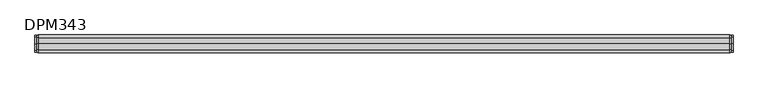
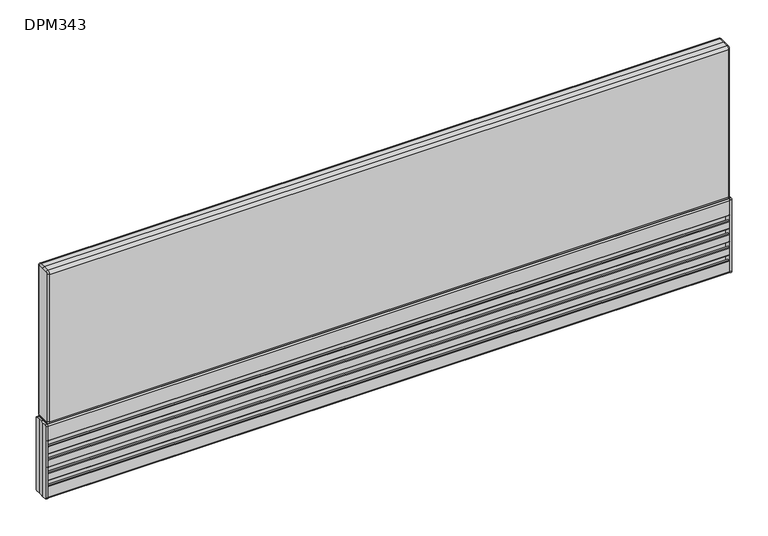
"""IFC4 building model written with IfcOpenShell, lengths in millimetres: furniture geometry, DPM343."""

from ifc_helpers import new_model, si_unit, point, frame, frame_2d, origin, place, context, project, spatial, polyline, circle_curve, ellipse_curve, trimmed, segment, composite_curve, outline, extrude, source, transform, mapped, element, save
from ifc_brep_helpers import plane_surface, cylinder_surface, revolved_surface, advanced_brep


def dpm343_4b7e98bf(model_context):
    return source(origin(), model_context, "Body", "SolidModel", [
        advanced_brep(
        [(-547.5, -11.25, 125.5), (-547.5, -13.25, 123.5), (-547.5, -13.25, 2.0), (-547.5, -11.25, 0.0), (-547.5, 0.0, 0.0), (-547.5, 11.25, 0.0), (-547.5, 13.25, 2.0), (-547.5, 13.25, 123.5), (-547.5, 11.25, 125.5), (-547.5, 0.0, 125.5), (-550.5, 11.25, 125.5), (-550.5, 13.25, 123.5), (-550.5, 13.25, 2.0), (-550.5, 11.25, 0.0), (-550.5, 5.25, 0.0), (-550.5, 5.25, 125.5), (-550.5, -11.25, 0.0), (-550.5, -13.25, 2.0), (-550.5, -13.25, 123.5), (-550.5, -11.25, 125.5), (-550.5, -5.25, 125.5), (-550.5, -5.25, 0.0), (-550.5, -3.75, 125.5), (-550.5, 0.0, 125.5), (-550.5, 3.75, 125.5), (-550.5, 3.75, 0.0), (-550.5, 0.0, 0.0), (-550.5, -3.75, 0.0)],
        [
            (0, 1, circle_curve(frame((-547.5, -11.25, 123.5), z_axis=(1.0, 0.0, 0.0), x_axis=(0.0, 1.0, 0.0)), 2.0)),
            (1, 2),
            (2, 3, circle_curve(frame((-547.5, -11.25, 2.0), z_axis=(1.0, 0.0, 0.0), x_axis=(0.0, 1.0, 0.0)), 2.0)),
            (3, 4),
            (4, 5),
            (5, 6, circle_curve(frame((-547.5, 11.25, 2.0), z_axis=(1.0, 0.0, 0.0), x_axis=(0.0, -1.0, 0.0)), 2.0)),
            (6, 7),
            (7, 8, circle_curve(frame((-547.5, 11.25, 123.5), z_axis=(1.0, 0.0, 0.0), x_axis=(0.0, -1.0, 0.0)), 2.0)),
            (8, 9),
            (9, 0),
            (10, 11, circle_curve(frame((-550.5, 11.25, 123.5), z_axis=(-1.0, 0.0, 0.0), x_axis=(0.0, -1.0, 0.0)), 2.0)),
            (11, 12),
            (12, 13, circle_curve(frame((-550.5, 11.25, 2.0), z_axis=(-1.0, 0.0, 0.0), x_axis=(0.0, -1.0, 0.0)), 2.0)),
            (13, 14),
            (14, 15),
            (15, 10),
            (16, 17, circle_curve(frame((-550.5, -11.25, 2.0), z_axis=(-1.0, 0.0, 0.0), x_axis=(0.0, 1.0, 0.0)), 2.0)),
            (17, 18),
            (18, 19, circle_curve(frame((-550.5, -11.25, 123.5), z_axis=(-1.0, 0.0, 0.0), x_axis=(0.0, 1.0, 0.0)), 2.0)),
            (19, 20),
            (20, 21),
            (21, 16),
            (22, 23),
            (23, 24),
            (24, 25),
            (25, 26),
            (26, 27),
            (27, 22),
            (0, 19),
            (18, 1),
            (17, 2),
            (16, 3),
            (21, 27, circle_curve(frame((-551.1614378, -4.5, 0.0), z_axis=(0.0, 0.0, 1.0), x_axis=(0.0, 1.0, 0.0)), 1.0)),
            (26, 4),
            (25, 14, circle_curve(frame((-551.1614378, 4.5, 0.0), z_axis=(0.0, 0.0, 1.0), x_axis=(0.0, 1.0, 0.0)), 1.0)),
            (13, 5),
            (12, 6),
            (11, 7),
            (10, 8),
            (15, 24, circle_curve(frame((-551.1614378, 4.5, 125.5), z_axis=(0.0, 0.0, -1.0), x_axis=(0.0, 1.0, 0.0)), 1.0)),
            (23, 9),
            (22, 20, circle_curve(frame((-551.1614378, -4.5, 125.5), z_axis=(0.0, 0.0, -1.0), x_axis=(0.0, 1.0, 0.0)), 1.0)),
        ],
        [
            plane_surface(frame((-547.5, -9.25, 123.5), z_axis=(1.0, 0.0, 0.0), x_axis=(0.0, 0.0, 1.0))),
            plane_surface(frame((-550.5, -9.25, 123.5), z_axis=(-1.0, 0.0, 0.0), x_axis=(0.0, 0.0, -1.0))),
            cylinder_surface(frame((-550.5, -11.25, 123.5), z_axis=(1.0, 0.0, 0.0), x_axis=(0.0, 1.0, 0.0)), 2.0),
            plane_surface(frame((-547.5, -13.25, 123.5), z_axis=(0.0, -1.0, 0.0), x_axis=(-1.0, 0.0, 0.0))),
            cylinder_surface(frame((-550.5, -11.25, 2.0), z_axis=(1.0, 0.0, 0.0), x_axis=(0.0, 1.0, 0.0)), 2.0),
            plane_surface(frame((-547.5, -11.25, 0.0), z_axis=(0.0, 0.0, -1.0), x_axis=(-1.0, 0.0, 0.0))),
            plane_surface(frame((-547.5, 0.0, 0.0), z_axis=(0.0, 0.0, -1.0), x_axis=(-1.0, 0.0, 0.0))),
            cylinder_surface(frame((-550.5, 11.25, 2.0), z_axis=(1.0, 0.0, 0.0), x_axis=(0.0, -1.0, 0.0)), 2.0),
            plane_surface(frame((-547.5, 13.25, 2.0), z_axis=(0.0, 1.0, -6.587285038427298e-12), x_axis=(-1.0, 0.0, 0.0))),
            cylinder_surface(frame((-550.5, 11.25, 123.5), z_axis=(1.0, 0.0, 0.0), x_axis=(0.0, -1.0, 0.0)), 2.0),
            plane_surface(frame((-547.5, 11.25, 125.5), z_axis=(0.0, 0.0, 1.0), x_axis=(-1.0, 0.0, 0.0))),
            plane_surface(frame((-547.5, 0.0, 125.5), z_axis=(0.0, 0.0, 1.0), x_axis=(-1.0, 0.0, 0.0))),
            revolved_surface(polyline([(-551.1614378, 5.5, 125.5), (-551.1614378, 5.5, 0.0)]), (-551.1614378, 4.5, -26.25), (0.0, 0.0, 1.0)),
            revolved_surface(polyline([(-551.1614378, -3.5, 125.5), (-551.1614378, -3.5, 0.0)]), (-551.1614378, -4.5, 73.75), (0.0, 0.0, 1.0)),
        ],
        [
            (0, [[1, 2, 3, 4, 5, 6, 7, 8, 9, 10]]),
            (1, [[11, 12, 13, 14, 15, 16]]),
            (1, [[17, 18, 19, 20, 21, 22]]),
            (1, [[23, 24, 25, 26, 27, 28]]),
            (2, [[-1, 29, -19, 30]]),
            (3, [[-2, -30, -18, 31]]),
            (4, [[-3, -31, -17, 32]]),
            (5, [[-4, -32, -22, 33, -27, 34]]),
            (6, [[-5, -34, -26, 35, -14, 36]]),
            (7, [[-6, -36, -13, 37]]),
            (8, [[-7, -37, -12, 38]]),
            (9, [[-8, -38, -11, 39]]),
            (10, [[-9, -39, -16, 40, -24, 41]]),
            (11, [[-10, -41, -23, 42, -20, -29]]),
            (12, [[-15, -35, -25, -40]]),
            (13, [[-28, -33, -21, -42]]),
        ],
    ),
        advanced_brep(
        [(547.5, 11.25, 125.5), (547.5, 13.25, 123.5), (547.5, 13.25, 2.0), (547.5, 11.25, 0.0), (547.5, 0.0, 0.0), (547.5, -11.25, 0.0), (547.5, -13.25, 2.0), (547.5, -13.25, 123.5), (547.5, -11.25, 125.5), (547.5, 0.0, 125.5), (550.5, -11.25, 125.5), (550.5, -13.25, 123.5), (550.5, -13.25, 2.0), (550.5, -11.25, 0.0), (550.5, -5.25, 0.0), (550.5, -5.25, 125.5), (550.5, 11.25, 0.0), (550.5, 13.25, 2.0), (550.5, 13.25, 123.5), (550.5, 11.25, 125.5), (550.5, 5.25, 125.5), (550.5, 5.25, 0.0), (550.5, 3.75, 125.5), (550.5, 0.0, 125.5), (550.5, -3.75, 125.5), (550.5, -3.75, 0.0), (550.5, 0.0, 0.0), (550.5, 3.75, 0.0)],
        [
            (0, 1, circle_curve(frame((547.5, 11.25, 123.5), z_axis=(-1.0, 0.0, 0.0), x_axis=(0.0, -1.0000000000000004, 0.0)), 2.0)),
            (1, 2),
            (2, 3, circle_curve(frame((547.5, 11.25, 2.0), z_axis=(-1.0, 0.0, 0.0), x_axis=(0.0, -1.0000000000000004, 0.0)), 2.0)),
            (3, 4),
            (4, 5),
            (5, 6, circle_curve(frame((547.5, -11.25, 2.0), z_axis=(-1.0, 0.0, 0.0), x_axis=(0.0, 1.0000000000000004, 0.0)), 2.0)),
            (6, 7),
            (7, 8, circle_curve(frame((547.5, -11.25, 123.5), z_axis=(-1.0, 0.0, 0.0), x_axis=(0.0, 1.0000000000000004, 0.0)), 2.0)),
            (8, 9),
            (9, 0),
            (10, 11, circle_curve(frame((550.5, -11.25, 123.5), z_axis=(1.0, 0.0, 0.0), x_axis=(0.0, 1.0000000000000004, 0.0)), 2.0)),
            (11, 12),
            (12, 13, circle_curve(frame((550.5, -11.25, 2.0), z_axis=(1.0, 0.0, 0.0), x_axis=(0.0, 1.0000000000000004, 0.0)), 2.0)),
            (13, 14),
            (14, 15),
            (15, 10),
            (16, 17, circle_curve(frame((550.5, 11.25, 2.0), z_axis=(1.0, 0.0, 0.0), x_axis=(0.0, -1.0000000000000004, 0.0)), 2.0)),
            (17, 18),
            (18, 19, circle_curve(frame((550.5, 11.25, 123.5), z_axis=(1.0, 0.0, 0.0), x_axis=(0.0, -1.0000000000000004, 0.0)), 2.0)),
            (19, 20),
            (20, 21),
            (21, 16),
            (22, 23),
            (23, 24),
            (24, 25),
            (25, 26),
            (26, 27),
            (27, 22),
            (0, 19),
            (18, 1),
            (17, 2),
            (16, 3),
            (21, 27, circle_curve(frame((551.1614378, 4.5, 0.0), z_axis=(0.0, 0.0, 1.0), x_axis=(0.0, -1.0000000000000004, 0.0)), 1.0)),
            (26, 4),
            (25, 14, circle_curve(frame((551.1614378, -4.5, 0.0), z_axis=(0.0, 0.0, 1.0), x_axis=(0.0, -1.0000000000000004, 0.0)), 1.0)),
            (13, 5),
            (12, 6),
            (11, 7),
            (10, 8),
            (15, 24, circle_curve(frame((551.1614378, -4.5, 125.5), z_axis=(0.0, 0.0, -1.0), x_axis=(0.0, -1.0000000000000004, 0.0)), 1.0)),
            (23, 9),
            (22, 20, circle_curve(frame((551.1614378, 4.5, 125.5), z_axis=(0.0, 0.0, -1.0), x_axis=(0.0, -1.0000000000000004, 0.0)), 1.0)),
        ],
        [
            plane_surface(frame((547.5, 9.25, 123.5), z_axis=(-1.0, 0.0, 0.0), x_axis=(0.0, 0.0, 1.0))),
            plane_surface(frame((550.5, 9.25, 123.5), z_axis=(1.0, 0.0, 0.0), x_axis=(0.0, 0.0, -1.0))),
            cylinder_surface(frame((550.5, 11.25, 123.5), z_axis=(-1.0000000000000004, 0.0, 0.0), x_axis=(0.0, -1.0000000000000004, 0.0)), 2.0),
            plane_surface(frame((547.5, 13.25, 123.5), z_axis=(0.0, 1.0, 0.0), x_axis=(1.0, 0.0, 0.0))),
            cylinder_surface(frame((550.5, 11.25, 2.0), z_axis=(-1.0000000000000004, 0.0, 0.0), x_axis=(0.0, -1.0000000000000004, 0.0)), 2.0),
            plane_surface(frame((547.5, 11.25, 0.0), z_axis=(0.0, 0.0, -1.0), x_axis=(1.0, 0.0, 0.0))),
            plane_surface(frame((547.5, 0.0, 0.0), z_axis=(0.0, 0.0, -1.0), x_axis=(1.0, 0.0, 0.0))),
            cylinder_surface(frame((550.5, -11.25, 2.0), z_axis=(-1.0000000000000004, 0.0, 0.0), x_axis=(0.0, 1.0000000000000004, 0.0)), 2.0),
            plane_surface(frame((547.5, -13.25, 2.0), z_axis=(0.0, -1.0, -6.587285038427301e-12), x_axis=(1.0, 0.0, 0.0))),
            cylinder_surface(frame((550.5, -11.25, 123.5), z_axis=(-1.0000000000000004, 0.0, 0.0), x_axis=(0.0, 1.0000000000000004, 0.0)), 2.0),
            plane_surface(frame((547.5, -11.25, 125.5), z_axis=(0.0, 0.0, 1.0), x_axis=(1.0, 0.0, 0.0))),
            plane_surface(frame((547.5, 0.0, 125.5), z_axis=(0.0, 0.0, 1.0), x_axis=(1.0, 0.0, 0.0))),
            revolved_surface(polyline([(551.1614378, -5.5, 125.5), (551.1614378, -5.5, 0.0)]), (551.1614378, -4.5, -26.25), (0.0, 0.0, 1.0)),
            revolved_surface(polyline([(551.1614378, 3.4999999999999996, 125.5), (551.1614378, 3.4999999999999996, 0.0)]), (551.1614378, 4.5, 73.75), (0.0, 0.0, 1.0)),
        ],
        [
            (0, [[1, 2, 3, 4, 5, 6, 7, 8, 9, 10]]),
            (1, [[11, 12, 13, 14, 15, 16]]),
            (1, [[17, 18, 19, 20, 21, 22]]),
            (1, [[23, 24, 25, 26, 27, 28]]),
            (2, [[-1, 29, -19, 30]]),
            (3, [[-2, -30, -18, 31]]),
            (4, [[-3, -31, -17, 32]]),
            (5, [[-4, -32, -22, 33, -27, 34]]),
            (6, [[-5, -34, -26, 35, -14, 36]]),
            (7, [[-6, -36, -13, 37]]),
            (8, [[-7, -37, -12, 38]]),
            (9, [[-8, -38, -11, 39]]),
            (10, [[-9, -39, -16, 40, -24, 41]]),
            (11, [[-10, -41, -23, 42, -20, -29]]),
            (12, [[-15, -35, -25, -40]]),
            (13, [[-28, -33, -21, -42]]),
        ],
    ),
        extrude(outline(composite_curve([segment(trimmed(circle_curve(frame_2d((-12.0, 20.25)), 1.0), [point((-13.0, 20.25))], [point((-12.0, 21.25))], False, "CARTESIAN"), True, "CONTINUOUS"), segment(polyline([(-12.0, 21.25), (-9.2004126, 21.25), (-9.2004126, 15.25), (-1.7500068, 15.25), (-1.7500068, 36.25), (-9.2004126, 36.25), (-9.2004126, 30.25), (-12.0, 30.25)]), True, "CONTINUOUS"), segment(trimmed(circle_curve(frame_2d((-12.0, 31.25)), 1.0), [point((-12.0, 30.25))], [point((-13.0, 31.25))], False, "CARTESIAN"), True, "CONTINUOUS"), segment(polyline([(-13.0, 31.25), (-13.0, 42.75)]), True, "CONTINUOUS"), segment(trimmed(circle_curve(frame_2d((-12.0, 42.75)), 1.0), [point((-13.0, 42.75))], [point((-12.0, 43.75))], False, "CARTESIAN"), True, "CONTINUOUS"), segment(polyline([(-12.0, 43.75), (-9.2004126, 43.75), (-9.2004126, 37.75), (-1.7500068, 37.75), (-1.7500068, 58.75), (-9.2004126, 58.75), (-9.2004126, 52.75), (-12.0, 52.75)]), True, "CONTINUOUS"), segment(trimmed(circle_curve(frame_2d((-12.0, 53.75)), 1.0), [point((-12.0, 52.75))], [point((-13.0, 53.75))], False, "CARTESIAN"), True, "CONTINUOUS"), segment(polyline([(-13.0, 53.75), (-13.0, 65.25)]), True, "CONTINUOUS"), segment(trimmed(circle_curve(frame_2d((-12.0, 65.25)), 1.0), [point((-13.0, 65.25))], [point((-12.0, 66.25))], False, "CARTESIAN"), True, "CONTINUOUS"), segment(polyline([(-12.0, 66.25), (-9.2004126, 66.25), (-9.2004126, 60.25), (-1.7500068, 60.25), (-1.7500068, 81.25), (-9.2004126, 81.25), (-9.2004126, 75.25), (-12.0, 75.25)]), True, "CONTINUOUS"), segment(trimmed(circle_curve(frame_2d((-12.0, 76.25)), 1.0), [point((-12.0, 75.25))], [point((-13.0, 76.25))], False, "CARTESIAN"), True, "CONTINUOUS"), segment(polyline([(-13.0, 76.25), (-13.0, 87.75)]), True, "CONTINUOUS"), segment(trimmed(circle_curve(frame_2d((-12.0, 87.75)), 1.0), [point((-13.0, 87.75))], [point((-12.0, 88.75))], False, "CARTESIAN"), True, "CONTINUOUS"), segment(polyline([(-12.0, 88.75), (-9.2004126, 88.75), (-9.2004126, 82.75), (-1.7500068, 82.75), (-1.7500068, 103.75), (-9.2004126, 103.75), (-9.2004126, 97.75), (-12.0, 97.75)]), True, "CONTINUOUS"), segment(trimmed(circle_curve(frame_2d((-12.0, 98.75)), 1.0), [point((-12.0, 97.75))], [point((-13.0, 98.75))], False, "CARTESIAN"), True, "CONTINUOUS"), segment(polyline([(-13.0, 98.75), (-13.0, 123.25)]), True, "CONTINUOUS"), segment(trimmed(circle_curve(frame_2d((-11.0, 123.25)), 2.0), [point((-13.0, 123.25))], [point((-11.0, 125.25))], False, "CARTESIAN"), True, "CONTINUOUS"), segment(polyline([(-11.0, 125.25), (-6.0, 125.25)]), True, "CONTINUOUS"), segment(trimmed(circle_curve(frame_2d((-6.0, 124.75)), 0.5), [point((-6.0, 125.25))], [point((-5.5, 124.75))], False, "CARTESIAN"), True, "CONTINUOUS"), segment(polyline([(-5.5, 124.75), (-5.5, 105.25), (0.0, 105.25), (5.5, 105.25), (5.5, 124.75)]), True, "CONTINUOUS"), segment(trimmed(circle_curve(frame_2d((6.0, 124.75)), 0.5), [point((5.5, 124.75))], [point((6.0, 125.25))], False, "CARTESIAN"), True, "CONTINUOUS"), segment(polyline([(6.0, 125.25), (11.0, 125.25)]), True, "CONTINUOUS"), segment(trimmed(circle_curve(frame_2d((11.0, 123.25)), 2.0), [point((11.0, 125.25))], [point((13.0, 123.25))], False, "CARTESIAN"), True, "CONTINUOUS"), segment(polyline([(13.0, 123.25), (13.0, 98.75)]), True, "CONTINUOUS"), segment(trimmed(circle_curve(frame_2d((12.0, 98.75)), 1.0), [point((13.0, 98.75))], [point((12.0, 97.75))], False, "CARTESIAN"), True, "CONTINUOUS"), segment(polyline([(12.0, 97.75), (9.2004126, 97.75), (9.2004126, 103.75), (1.7500068, 103.75), (1.7500068, 82.75), (9.2004126, 82.75), (9.2004126, 88.75), (12.0, 88.75)]), True, "CONTINUOUS"), segment(trimmed(circle_curve(frame_2d((12.0, 87.75)), 1.0), [point((12.0, 88.75))], [point((13.0, 87.75))], False, "CARTESIAN"), True, "CONTINUOUS"), segment(polyline([(13.0, 87.75), (13.0, 76.25)]), True, "CONTINUOUS"), segment(trimmed(circle_curve(frame_2d((12.0, 76.25)), 1.0), [point((13.0, 76.25))], [point((12.0, 75.25))], False, "CARTESIAN"), True, "CONTINUOUS"), segment(polyline([(12.0, 75.25), (9.2004126, 75.25), (9.2004126, 81.25), (1.7500068, 81.25), (1.7500068, 60.25), (9.2004126, 60.25), (9.2004126, 66.25), (12.0, 66.25)]), True, "CONTINUOUS"), segment(trimmed(circle_curve(frame_2d((12.0, 65.25)), 1.0), [point((12.0, 66.25))], [point((13.0, 65.25))], False, "CARTESIAN"), True, "CONTINUOUS"), segment(polyline([(13.0, 65.25), (13.0, 53.75)]), True, "CONTINUOUS"), segment(trimmed(circle_curve(frame_2d((12.0, 53.75)), 1.0), [point((13.0, 53.75))], [point((12.0, 52.75))], False, "CARTESIAN"), True, "CONTINUOUS"), segment(polyline([(12.0, 52.75), (9.2004126, 52.75), (9.2004126, 58.75), (1.7500068, 58.75), (1.7500068, 37.75), (9.2004126, 37.75), (9.2004126, 43.75), (12.0, 43.75)]), True, "CONTINUOUS"), segment(trimmed(circle_curve(frame_2d((12.0, 42.75)), 1.0), [point((12.0, 43.75))], [point((13.0, 42.75))], False, "CARTESIAN"), True, "CONTINUOUS"), segment(polyline([(13.0, 42.75), (13.0, 31.25)]), True, "CONTINUOUS"), segment(trimmed(circle_curve(frame_2d((12.0, 31.25)), 1.0), [point((13.0, 31.25))], [point((12.0, 30.25))], False, "CARTESIAN"), True, "CONTINUOUS"), segment(polyline([(12.0, 30.25), (9.2004126, 30.25), (9.2004126, 36.25), (1.7500068, 36.25), (1.7500068, 15.25), (9.2004126, 15.25), (9.2004126, 21.25), (12.0, 21.25)]), True, "CONTINUOUS"), segment(trimmed(circle_curve(frame_2d((12.0, 20.25)), 1.0), [point((12.0, 21.25))], [point((13.0, 20.25))], False, "CARTESIAN"), True, "CONTINUOUS"), segment(polyline([(13.0, 20.25), (13.0, 2.25)]), True, "CONTINUOUS"), segment(trimmed(circle_curve(frame_2d((11.0, 2.25)), 2.0), [point((13.0, 2.25))], [point((11.0, 0.25))], False, "CARTESIAN"), True, "CONTINUOUS"), segment(polyline([(11.0, 0.25), (0.0, 0.25), (-11.0, 0.25)]), True, "CONTINUOUS"), segment(trimmed(circle_curve(frame_2d((-11.0, 2.25)), 2.0), [point((-11.0, 0.25))], [point((-13.0, 2.25))], False, "CARTESIAN"), True, "CONTINUOUS"), segment(polyline([(-13.0, 2.25), (-13.0, 20.25)]), True, "CONTINUOUS")], self_intersect=False)), frame((-547.5, 0.0, 0.0), z_axis=(1.0, 0.0, 0.0), x_axis=(0.0, 1.0, 0.0)), (0.0, 0.0, 1.0), 1095.0),
        extrude(outline(polyline([(547.5, 5.25), (547.5, -5.25), (-547.5, -5.25), (-547.5, 5.25), (547.5, 5.25)])), frame((0.0, 0.0, 105.25), z_axis=(0.0, 0.0, 1.0), x_axis=(1.0, 0.0, 0.0)), (0.0, 0.0, 1.0), 20.5),
        advanced_brep(
        [(547.5, -9.5, 382.25), (547.5, -11.0, 380.75), (547.5, -11.0, 130.25), (547.5, -9.5, 128.75), (547.5, 9.5, 128.75), (547.5, 11.0, 130.25), (547.5, 11.0, 380.75), (547.5, 9.5, 382.25), (547.5, 0.0, 382.25), (-547.5, -9.5, 128.75), (-547.5, -11.0, 130.25), (-547.5, -11.0, 380.75), (-547.5, -9.5, 382.25), (-547.5, 0.0, 382.25), (-547.5, 9.5, 382.25), (-547.5, 11.0, 380.75), (-547.5, 11.0, 130.25), (-547.5, 9.5, 128.75), (544.5, -9.5, 385.25), (544.5, 0.0, 385.25), (-544.5, 0.0, 385.25), (-544.5, -9.5, 385.25), (544.5, -14.0, 380.75), (-544.5, -14.0, 380.75), (544.5, -14.0, 130.25), (-544.5, -14.0, 130.25), (544.5, -9.5, 125.75), (-544.5, -9.5, 125.75), (544.5, 9.5, 125.75), (-544.5, 9.5, 125.75), (544.5, 14.0, 130.25), (-544.5, 14.0, 130.25), (544.5, 14.0, 380.75), (-544.5, 14.0, 380.75), (544.5, 9.5, 385.25), (-544.5, 9.5, 385.25)],
        [
            (0, 1, circle_curve(frame((547.5, -9.5, 380.75), z_axis=(1.0, 0.0, 0.0), x_axis=(0.0, 0.0, 1.0)), 1.5)),
            (1, 2),
            (2, 3, circle_curve(frame((547.5, -9.5, 130.25), z_axis=(1.0, 0.0, 0.0), x_axis=(0.0, -1.0, 0.0)), 1.5)),
            (3, 4),
            (4, 5, circle_curve(frame((547.5, 9.5, 130.25), z_axis=(1.0, 0.0, 0.0), x_axis=(0.0, 0.0, -1.0)), 1.5)),
            (5, 6),
            (6, 7, circle_curve(frame((547.5, 9.5, 380.75), z_axis=(1.0, 0.0, 0.0), x_axis=(0.0, 1.0, 0.0)), 1.5)),
            (7, 8),
            (8, 0),
            (9, 10, circle_curve(frame((-547.5, -9.5, 130.25), z_axis=(-1.0, 0.0, 0.0), x_axis=(0.0, 0.0, -1.0)), 1.5)),
            (10, 11),
            (11, 12, circle_curve(frame((-547.5, -9.5, 380.75), z_axis=(-1.0, 0.0, 0.0), x_axis=(0.0, -1.0, 0.0)), 1.5)),
            (12, 13),
            (13, 14),
            (14, 15, circle_curve(frame((-547.5, 9.5, 380.75), z_axis=(-1.0, 0.0, 0.0), x_axis=(0.0, 0.0, 1.0)), 1.5)),
            (15, 16),
            (16, 17, circle_curve(frame((-547.5, 9.5, 130.25), z_axis=(-1.0, 0.0, 0.0), x_axis=(0.0, 1.0, 0.0)), 1.5)),
            (17, 9),
            (18, 19),
            (19, 20),
            (20, 21),
            (21, 18),
            (22, 18, circle_curve(frame((544.5, -9.5, 380.75), z_axis=(-1.0, 0.0, 0.0), x_axis=(0.0, 1.0, 0.0)), 4.5)),
            (21, 23, circle_curve(frame((-544.5, -9.5, 380.75), z_axis=(1.0, 0.0, 0.0), x_axis=(0.0, 1.0, 0.0)), 4.5)),
            (23, 22),
            (24, 22),
            (23, 25),
            (25, 24),
            (26, 24, circle_curve(frame((544.5, -9.5, 130.25), z_axis=(-1.0, 0.0, 0.0), x_axis=(0.0, 1.0, 0.0)), 4.5)),
            (25, 27, circle_curve(frame((-544.5, -9.5, 130.25), z_axis=(1.0, 0.0, 0.0), x_axis=(0.0, 1.0, 0.0)), 4.5)),
            (27, 26),
            (28, 26),
            (27, 29),
            (29, 28),
            (30, 28, circle_curve(frame((544.5, 9.5, 130.25), z_axis=(-1.0, 0.0, 0.0), x_axis=(0.0, 1.0, 0.0)), 4.5)),
            (29, 31, circle_curve(frame((-544.5, 9.5, 130.25), z_axis=(1.0, 0.0, 0.0), x_axis=(0.0, 1.0, 0.0)), 4.5)),
            (31, 30),
            (32, 30),
            (31, 33),
            (33, 32),
            (34, 32, circle_curve(frame((544.5, 9.5, 380.75), z_axis=(-1.0, 0.0, 0.0), x_axis=(0.0, 1.0, 0.0)), 4.5)),
            (33, 35, circle_curve(frame((-544.5, 9.5, 380.75), z_axis=(1.0, 0.0, 0.0), x_axis=(0.0, 1.0, 0.0)), 4.5)),
            (35, 34),
            (19, 34),
            (35, 20),
            (22, 1, circle_curve(frame((544.5, -11.0, 380.75), z_axis=(0.0, 0.0, 1.0), x_axis=(1.0, 0.0, 0.0)), 3.0)),
            (0, 18, circle_curve(frame((544.5, -9.5, 382.25), z_axis=(0.0, -1.0, 0.0), x_axis=(1.0, 0.0, 0.0)), 3.0)),
            (24, 2, circle_curve(frame((544.5, -11.0, 130.25), z_axis=(0.0, 0.0, 1.0), x_axis=(1.0, 0.0, 0.0)), 3.0)),
            (26, 3, circle_curve(frame((544.5, -9.5, 128.75), z_axis=(0.0, -1.0, 0.0), x_axis=(1.0, 0.0, 0.0)), 3.0)),
            (28, 4, circle_curve(frame((544.5, 9.5, 128.75), z_axis=(0.0, -1.0, 0.0), x_axis=(1.0, 0.0, 0.0)), 3.0)),
            (30, 5, circle_curve(frame((544.5, 11.0, 130.25), z_axis=(0.0, 0.0, -1.0), x_axis=(1.0, 0.0, 0.0)), 3.0)),
            (32, 6, circle_curve(frame((544.5, 11.0, 380.75), z_axis=(0.0, 0.0, -1.0), x_axis=(1.0, 0.0, 0.0)), 3.0)),
            (34, 7, circle_curve(frame((544.5, 9.5, 382.25), z_axis=(0.0, 1.0, 0.0), x_axis=(1.0, 0.0, 0.0)), 3.0)),
            (19, 8, circle_curve(frame((544.5, 0.0, 382.25), z_axis=(0.0, 1.0, 0.0), x_axis=(1.0, 0.0, 0.0)), 3.0)),
            (25, 10, circle_curve(frame((-544.5, -11.0, 130.25), z_axis=(0.0, 0.0, -1.0), x_axis=(-1.0, 0.0, 0.0)), 3.0)),
            (9, 27, circle_curve(frame((-544.5, -9.5, 128.75), z_axis=(0.0, -1.0, 0.0), x_axis=(-1.0, 0.0, 0.0)), 3.0)),
            (23, 11, circle_curve(frame((-544.5, -11.0, 380.75), z_axis=(0.0, 0.0, -1.0), x_axis=(-1.0, 0.0, 0.0)), 3.0)),
            (21, 12, circle_curve(frame((-544.5, -9.5, 382.25), z_axis=(0.0, -1.0, 0.0), x_axis=(-1.0, 0.0, 0.0)), 3.0)),
            (20, 13, circle_curve(frame((-544.5, 0.0, 382.25), z_axis=(0.0, -1.0, 0.0), x_axis=(-1.0, 0.0, 0.0)), 3.0)),
            (35, 14, circle_curve(frame((-544.5, 9.5, 382.25), z_axis=(0.0, -1.0, 0.0), x_axis=(-1.0, 0.0, 0.0)), 3.0)),
            (33, 15, circle_curve(frame((-544.5, 11.0, 380.75), z_axis=(0.0, 0.0, 1.0), x_axis=(-1.0, 0.0, 0.0)), 3.0)),
            (31, 16, circle_curve(frame((-544.5, 11.0, 130.25), z_axis=(0.0, 0.0, 1.0), x_axis=(-1.0, 0.0, 0.0)), 3.0)),
            (29, 17, circle_curve(frame((-544.5, 9.5, 128.75), z_axis=(0.0, 1.0, 0.0), x_axis=(-1.0, 0.0, 0.0)), 3.0)),
        ],
        [
            plane_surface(frame((547.5, -14.0, 385.25), z_axis=(1.0, 0.0, 0.0), x_axis=(0.0, -1.0, 0.0))),
            plane_surface(frame((-547.5, -14.0, 385.25), z_axis=(-1.0, 0.0, 0.0), x_axis=(0.0, 1.0, 0.0))),
            plane_surface(frame((547.5, 0.0, 385.25), z_axis=(0.0, 0.0, 1.0), x_axis=(-1.0, 0.0, 0.0))),
            cylinder_surface(frame((-547.5, -9.5, 380.75), z_axis=(1.0, 0.0, 0.0), x_axis=(0.0, 1.0, 0.0)), 4.5),
            plane_surface(frame((547.5, -14.0, 380.75), z_axis=(0.0, -1.0, 0.0), x_axis=(-1.0, 0.0, 0.0))),
            cylinder_surface(frame((-547.5, -9.5, 130.25), z_axis=(1.0, 0.0, 0.0), x_axis=(0.0, 1.0, 0.0)), 4.5),
            plane_surface(frame((547.5, -9.5, 125.75), z_axis=(0.0, 0.0, -1.0), x_axis=(-1.0, 0.0, 0.0))),
            cylinder_surface(frame((-547.5, 9.5, 130.25), z_axis=(1.0, 0.0, 0.0), x_axis=(0.0, 1.0, 0.0)), 4.5),
            plane_surface(frame((547.5, 14.0, 130.25), z_axis=(0.0, 1.0, 0.0), x_axis=(-1.0, 0.0, 0.0))),
            cylinder_surface(frame((-547.5, 9.5, 380.75), z_axis=(1.0, 0.0, 0.0), x_axis=(0.0, 1.0, 0.0)), 4.5),
            plane_surface(frame((547.5, 9.5, 385.25), z_axis=(0.0, 0.0, 1.0), x_axis=(-1.0, 0.0, 0.0))),
            revolved_surface(trimmed(ellipse_curve(frame((544.5, -9.5, 382.25), z_axis=(0.0, 1.0, 0.0), x_axis=(1.0, 0.0, 0.0)), 3.0, 3.0), [point((544.5, -9.5, 385.25))], [point((547.5, -9.5, 382.25))], True, "CARTESIAN"), (547.5, -9.5, 380.75), (1.0, 0.0, 0.0)),
            cylinder_surface(frame((544.5, -11.0, 380.75), z_axis=(0.0, 0.0, -1.0), x_axis=(1.0, 0.0, 0.0)), 3.0),
            revolved_surface(trimmed(ellipse_curve(frame((544.5, -11.0, 130.25), z_axis=(0.0, 0.0, 1.0), x_axis=(1.0, 0.0, 0.0)), 3.0, 3.0), [point((544.5, -14.0, 130.25))], [point((547.5, -11.0, 130.25))], True, "CARTESIAN"), (547.5, -9.5, 130.25), (1.0, 0.0, 0.0)),
            cylinder_surface(frame((544.5, -9.5, 128.75), z_axis=(0.0, 1.0, 0.0), x_axis=(1.0, 0.0, 0.0)), 3.0),
            revolved_surface(trimmed(ellipse_curve(frame((544.5, 9.5, 128.75), z_axis=(0.0, -1.0, 0.0), x_axis=(1.0, 0.0, 0.0)), 3.0, 3.0), [point((544.5, 9.5, 125.75))], [point((547.5, 9.5, 128.75))], True, "CARTESIAN"), (547.5, 9.5, 130.25), (1.0, 0.0, 0.0)),
            cylinder_surface(frame((544.5, 11.0, 130.25), z_axis=(0.0, 0.0, 1.0), x_axis=(1.0, 0.0, 0.0)), 3.0),
            revolved_surface(trimmed(ellipse_curve(frame((544.5, 11.0, 380.75), z_axis=(0.0, 0.0, -1.0), x_axis=(1.0, 0.0, 0.0)), 3.0, 3.0), [point((544.5, 14.0, 380.75))], [point((547.5, 11.0, 380.75))], True, "CARTESIAN"), (547.5, 9.5, 380.75), (1.0, 0.0, 0.0)),
            cylinder_surface(frame((544.5, 9.5, 382.25), z_axis=(0.0, -1.0, 0.0), x_axis=(1.0, 0.0, 0.0)), 3.0),
            cylinder_surface(frame((544.5, 0.0, 382.25), z_axis=(0.0, -1.0, 0.0), x_axis=(1.0, 0.0, 0.0)), 3.0),
            revolved_surface(trimmed(ellipse_curve(frame((-544.5, -9.5, 128.75), z_axis=(0.0, 1.0, 0.0), x_axis=(-1.0, 0.0, 0.0)), 3.0, 3.0), [point((-544.5, -9.5, 125.75))], [point((-547.5, -9.5, 128.75))], True, "CARTESIAN"), (-547.5, -9.5, 130.25), (-1.0, 0.0, 0.0)),
            cylinder_surface(frame((-544.5, -11.0, 130.25), z_axis=(0.0, 0.0, 1.0), x_axis=(-1.0, 0.0, 0.0)), 3.0),
            revolved_surface(trimmed(ellipse_curve(frame((-544.5, -11.0, 380.75), z_axis=(0.0, 0.0, -1.0), x_axis=(-1.0, 0.0, 0.0)), 3.0, 3.0), [point((-544.5, -14.0, 380.75))], [point((-547.5, -11.0, 380.75))], True, "CARTESIAN"), (-547.5, -9.5, 380.75), (-1.0, 0.0, 0.0)),
            cylinder_surface(frame((-544.5, -9.5, 382.25), z_axis=(0.0, 1.0, 0.0), x_axis=(-1.0, 0.0, 0.0)), 3.0),
            cylinder_surface(frame((-544.5, 0.0, 382.25), z_axis=(0.0, 1.0, 0.0), x_axis=(-1.0, 0.0, 0.0)), 3.0),
            revolved_surface(trimmed(ellipse_curve(frame((-544.5, 9.5, 382.25), z_axis=(0.0, -1.0, 0.0), x_axis=(-1.0, 0.0, 0.0)), 3.0, 3.0), [point((-544.5, 9.5, 385.25))], [point((-547.5, 9.5, 382.25))], True, "CARTESIAN"), (-547.5, 9.5, 380.75), (-1.0, 0.0, 0.0)),
            cylinder_surface(frame((-544.5, 11.0, 380.75), z_axis=(0.0, 0.0, -1.0), x_axis=(-1.0, 0.0, 0.0)), 3.0),
            revolved_surface(trimmed(ellipse_curve(frame((-544.5, 11.0, 130.25), z_axis=(0.0, 0.0, 1.0), x_axis=(-1.0, 0.0, 0.0)), 3.0, 3.0), [point((-544.5, 14.0, 130.25))], [point((-547.5, 11.0, 130.25))], True, "CARTESIAN"), (-547.5, 9.5, 130.25), (-1.0, 0.0, 0.0)),
            cylinder_surface(frame((-544.5, 9.5, 128.75), z_axis=(0.0, -1.0, 0.0), x_axis=(-1.0, 0.0, 0.0)), 3.0),
        ],
        [
            (0, [[1, 2, 3, 4, 5, 6, 7, 8, 9]]),
            (1, [[10, 11, 12, 13, 14, 15, 16, 17, 18]]),
            (2, [[19, 20, 21, 22]]),
            (3, [[23, -22, 24, 25]]),
            (4, [[26, -25, 27, 28]]),
            (5, [[29, -28, 30, 31]]),
            (6, [[32, -31, 33, 34]]),
            (7, [[35, -34, 36, 37]]),
            (8, [[38, -37, 39, 40]]),
            (9, [[41, -40, 42, 43]]),
            (10, [[44, -43, 45, -20]]),
            (11, [[46, -1, 47, -23]]),
            (12, [[-46, -26, 48, -2]]),
            (13, [[-48, -29, 49, -3]]),
            (14, [[-49, -32, 50, -4]]),
            (15, [[-50, -35, 51, -5]]),
            (16, [[-51, -38, 52, -6]]),
            (17, [[-52, -41, 53, -7]]),
            (18, [[-53, -44, 54, -8]]),
            (19, [[-47, -9, -54, -19]]),
            (20, [[55, -10, 56, -30]]),
            (21, [[-55, -27, 57, -11]]),
            (22, [[-57, -24, 58, -12]]),
            (23, [[-58, -21, 59, -13]]),
            (24, [[-59, -45, 60, -14]]),
            (25, [[-60, -42, 61, -15]]),
            (26, [[-61, -39, 62, -16]]),
            (27, [[-62, -36, 63, -17]]),
            (28, [[-56, -18, -63, -33]]),
        ],
    ),
    ])


if __name__ == "__main__":
    model = new_model("IFC4")
    model_context = context("Model", 3, world=origin())
    ifc_project = project(units=[si_unit("LENGTHUNIT", "METRE", prefix="MILLI")], contexts=[model_context])
    site = spatial("IfcSite", under=ifc_project)
    building = spatial("IfcBuilding", under=site)
    placement = place(None, origin())
    dpm343_shape = dpm343_4b7e98bf(model_context)
    element("IfcFurniture", 1, ObjectType="DPM343", at=placement, inside=building, context=model_context, shape_type="MappedRepresentation", body=[
        mapped(dpm343_shape, transform((0.0, 0.0, 0.0), x_axis=(1.0, 0.0, 0.0), y_axis=(0.0, 1.0, 0.0), z_axis=(0.0, 0.0, 1.0))),
    ])
    save(model, "model.ifc")
